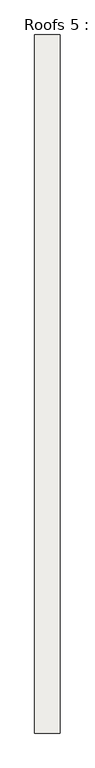
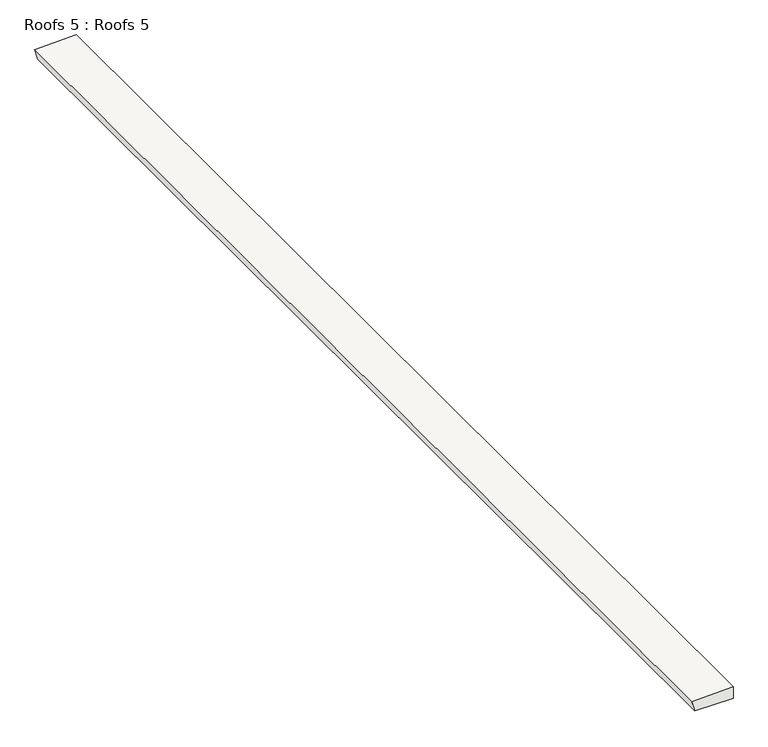
"""IFC4 building model written with IfcOpenShell, lengths in millimetres: roof geometry, Roofs 5 : Roofs 5."""

from ifc_helpers import new_model, si_unit, frame, origin, place, context, project, spatial, polyline, outline, extrude, source, transform, mapped, element, save


def roofs_5_roofs_5_db86fef8(model_context):
    return source(origin(), model_context, "Body", "SweptSolid", [
        extrude(outline(polyline([(-2159.1568927, -12602.1969605), (-2044.8568927, -12602.1969605), (-2057.5568927, -12997.264689), (-2159.1568927, -12970.0410511), (-2159.1568927, -12602.1969605)])), frame((0.0, 28103.1245636, 0.0), z_axis=(0.0, 1.0, 0.0), x_axis=(0.0, 0.0, 1.0)), (0.0, 0.0, 1.0), 10845.8),
    ])


if __name__ == "__main__":
    model = new_model("IFC4")
    model_context = context("Model", 3, world=origin())
    ifc_project = project(units=[si_unit("LENGTHUNIT", "METRE", prefix="MILLI")], contexts=[model_context])
    site = spatial("IfcSite", under=ifc_project)
    building = spatial("IfcBuilding", under=site)
    placement = place(None, origin())
    roofs_5_roofs_5_shape = roofs_5_roofs_5_db86fef8(model_context)
    element("IfcRoof", 1, ObjectType="Roofs 5 : Roofs 5", at=placement, inside=building, context=model_context, shape_type="MappedRepresentation", body=[
        mapped(roofs_5_roofs_5_shape, transform((0.0, 0.0, 0.0), x_axis=(1.0, 0.0, 0.0), y_axis=(0.0, 1.0, 0.0), z_axis=(0.0, 0.0, 1.0))),
    ])
    save(model, "model.ifc")
